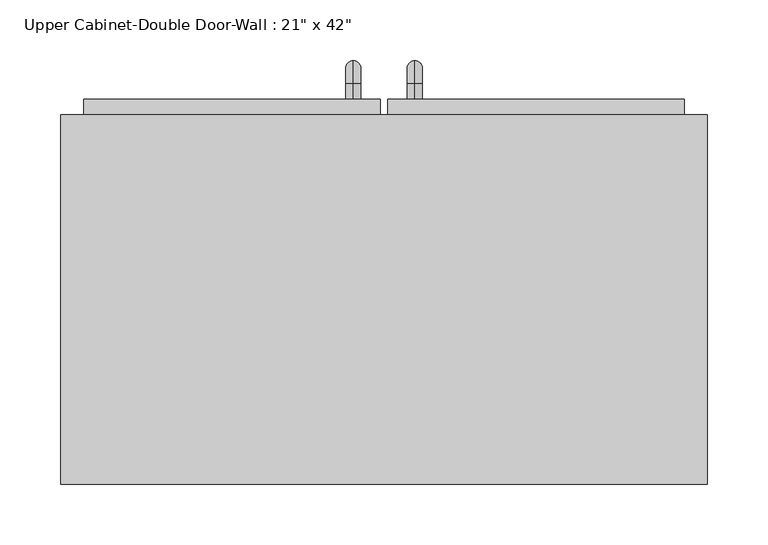
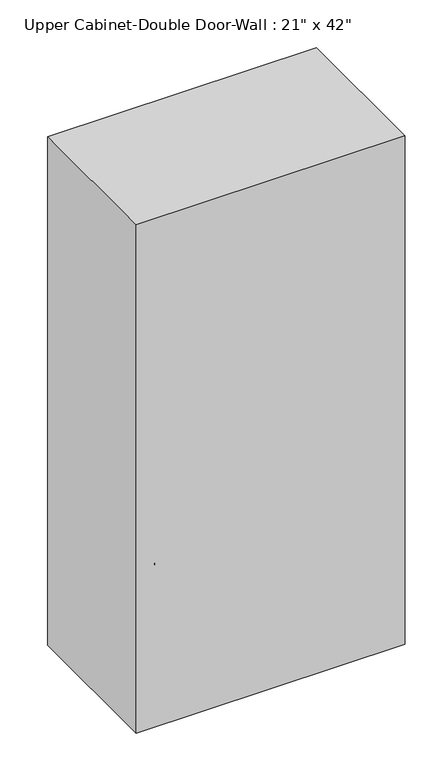
"""IFC4 building model written with IfcOpenShell, lengths in millimetres: furniture geometry."""

from ifc_helpers import new_model, si_unit, point, frame, origin, place, context, project, spatial, polyline, circle_curve, ellipse_curve, trimmed, outline, extrude, faceted_brep, source, transform, mapped, element, save
from ifc_brep_helpers import plane_surface, cylinder_surface, revolved_surface, advanced_brep


def furniture_92fea935(model_context):
    return source(origin(), model_context, "Body", "SolidModel", [
        faceted_brep([(-236.9288372, 123.825, 2133.6), (-236.9288372, 123.825, 1066.8), (296.4711628, 123.825, 1066.8), (296.4711628, 123.825, 2133.6), (-236.9288372, 428.625, 2133.6), (296.4711628, 428.625, 2133.6), (296.4711628, 428.625, 1066.8), (-236.9288372, 428.625, 1066.8), (-217.8788372, 428.625, 2114.55), (-217.8788372, 428.625, 1085.85), (277.4211628, 428.625, 1085.85), (277.4211628, 428.625, 2114.55), (277.4211628, 142.875, 2114.55), (-217.8788372, 142.875, 2114.55), (277.4211628, 142.875, 1085.85), (-217.8788372, 142.875, 1085.85)], [[[0, 1, 2, 3]], [[4, 5, 6, 7], [8, 9, 10, 11]], [[1, 0, 4, 7]], [[2, 1, 7, 6]], [[3, 2, 6, 5]], [[0, 3, 5, 4]], [[8, 11, 12, 13]], [[11, 10, 14, 12]], [[10, 9, 15, 14]], [[9, 8, 13, 15]], [[13, 12, 14, 15]]]),
        advanced_brep(
        [(55.1711628, 441.325, 1212.85), (55.1711628, 441.325, 1225.55), (55.1711628, 454.025, 1212.85), (55.1711628, 454.025, 1225.55), (55.1711628, 473.075, 1206.5), (55.1711628, 460.375, 1206.5), (55.1711628, 460.375, 1130.3), (55.1711628, 473.075, 1130.3), (55.1711628, 454.025, 1111.25), (55.1711628, 454.025, 1123.95), (55.1711628, 441.325, 1123.95), (55.1711628, 441.325, 1111.25)],
        [
            (0, 1, circle_curve(frame((55.1711628, 441.325, 1219.2), z_axis=(0.0, -1.0, 0.0), x_axis=(0.0, 0.0, -1.0)), 6.35)),
            (1, 0, circle_curve(frame((55.1711628, 441.325, 1219.2), z_axis=(0.0, -1.0, 0.0), x_axis=(0.0, 0.0, -1.0)), 6.35)),
            (0, 2),
            (2, 3, circle_curve(frame((55.1711628, 454.025, 1219.2), z_axis=(0.0, -1.0, 0.0), x_axis=(0.0, 0.0, -1.0)), 6.35)),
            (3, 1),
            (3, 2, circle_curve(frame((55.1711628, 454.025, 1219.2), z_axis=(0.0, -1.0, 0.0), x_axis=(0.0, 0.0, -1.0)), 6.35)),
            (4, 3, circle_curve(frame((55.1711628, 454.025, 1206.5), z_axis=(1.0, 0.0, 0.0), x_axis=(0.0, 0.0, 1.0)), 19.05)),
            (2, 5, circle_curve(frame((55.1711628, 454.025, 1206.5), z_axis=(-1.0, 0.0, 0.0), x_axis=(0.0, 0.0, 1.0)), 6.35)),
            (5, 4, circle_curve(frame((55.1711628, 466.725, 1206.5), z_axis=(0.0, 0.0, 1.0), x_axis=(0.0, -1.0, 0.0)), 6.35)),
            (4, 5, circle_curve(frame((55.1711628, 466.725, 1206.5), z_axis=(0.0, 0.0, 1.0), x_axis=(0.0, -1.0, 0.0)), 6.35)),
            (5, 6),
            (6, 7, circle_curve(frame((55.1711628, 466.725, 1130.3), z_axis=(0.0, 0.0, 1.0), x_axis=(0.0, -1.0, 0.0)), 6.35)),
            (7, 4),
            (7, 6, circle_curve(frame((55.1711628, 466.725, 1130.3), z_axis=(0.0, 0.0, 1.0), x_axis=(0.0, -1.0, 0.0)), 6.35)),
            (8, 7, circle_curve(frame((55.1711628, 454.025, 1130.3), z_axis=(1.0, 0.0, 0.0), x_axis=(0.0, 1.0, 0.0)), 19.05)),
            (6, 9, circle_curve(frame((55.1711628, 454.025, 1130.3), z_axis=(-1.0, 0.0, 0.0), x_axis=(0.0, 1.0, 0.0)), 6.35)),
            (9, 8, circle_curve(frame((55.1711628, 454.025, 1117.6), z_axis=(0.0, 1.0, 0.0), x_axis=(0.0, 0.0, 1.0)), 6.35)),
            (8, 9, circle_curve(frame((55.1711628, 454.025, 1117.6), z_axis=(0.0, 1.0, 0.0), x_axis=(0.0, 0.0, 1.0)), 6.35)),
            (10, 11, circle_curve(frame((55.1711628, 441.325, 1117.6), z_axis=(0.0, -1.0, 0.0), x_axis=(0.0, 0.0, 1.0)), 6.35)),
            (11, 10, circle_curve(frame((55.1711628, 441.325, 1117.6), z_axis=(0.0, -1.0, 0.0), x_axis=(0.0, 0.0, 1.0)), 6.35)),
            (9, 10),
            (11, 8),
        ],
        [
            plane_surface(frame((48.8211628, 441.325, 1219.2), z_axis=(0.0, -1.0, 0.0), x_axis=(0.0, 0.0, 1.0))),
            cylinder_surface(frame((55.1711628, 441.325, 1219.2), z_axis=(0.0, -1.0, 0.0), x_axis=(0.0, 0.0, -1.0)), 6.35),
            revolved_surface(trimmed(ellipse_curve(frame((55.1711628, 454.025, 1219.2), z_axis=(0.0, -1.0, 0.0), x_axis=(0.0, 0.0, -1.0)), 6.35, 6.35), [point((55.1711628, 454.025, 1212.85))], [point((55.1711628, 454.025, 1225.55))], True, "CARTESIAN"), (55.1711628, 454.025, 1206.5), (-1.0, 0.0, 0.0)),
            revolved_surface(trimmed(ellipse_curve(frame((55.1711628, 454.025, 1219.2), z_axis=(0.0, -1.0, 0.0), x_axis=(0.0, 0.0, -1.0)), 6.35, 6.35), [point((55.1711628, 454.025, 1225.55))], [point((55.1711628, 454.025, 1212.85))], True, "CARTESIAN"), (55.1711628, 454.025, 1206.5), (-1.0, 0.0, 0.0)),
            cylinder_surface(frame((55.1711628, 466.725, 1206.5), z_axis=(0.0, 0.0, 1.0), x_axis=(0.0, -1.0, 0.0)), 6.35),
            revolved_surface(trimmed(ellipse_curve(frame((55.1711628, 466.725, 1130.3), z_axis=(0.0, 0.0, 1.0), x_axis=(0.0, -1.0, 0.0)), 6.35, 6.35), [point((55.1711628, 460.375, 1130.3))], [point((55.1711628, 473.075, 1130.3))], True, "CARTESIAN"), (55.1711628, 454.025, 1130.3), (-1.0, 0.0, 0.0)),
            revolved_surface(trimmed(ellipse_curve(frame((55.1711628, 466.725, 1130.3), z_axis=(0.0, 0.0, 1.0), x_axis=(0.0, -1.0, 0.0)), 6.35, 6.35), [point((55.1711628, 473.075, 1130.3))], [point((55.1711628, 460.375, 1130.3))], True, "CARTESIAN"), (55.1711628, 454.025, 1130.3), (-1.0, 0.0, 0.0)),
            plane_surface(frame((48.8211628, 441.325, 1117.6), z_axis=(0.0, -1.0, 0.0), x_axis=(0.0, 0.0, -1.0))),
            cylinder_surface(frame((55.1711628, 454.025, 1117.6), z_axis=(0.0, 1.0, 0.0), x_axis=(0.0, 0.0, 1.0)), 6.35),
        ],
        [
            (0, [[1, 2]]),
            (1, [[-1, 3, 4, 5]]),
            (1, [[-2, -5, 6, -3]]),
            (2, [[7, -4, 8, 9]]),
            (3, [[-8, -6, -7, 10]]),
            (4, [[-9, 11, 12, 13]]),
            (4, [[-10, -13, 14, -11]]),
            (5, [[15, -12, 16, 17]]),
            (6, [[-16, -14, -15, 18]]),
            (7, [[19, 20]]),
            (8, [[-17, 21, -20, 22]]),
            (8, [[-18, -22, -19, -21]]),
        ],
    ),
        advanced_brep(
        [(4.3711628, 441.325, 1212.85), (4.3711628, 441.325, 1225.55), (4.3711628, 454.025, 1212.85), (4.3711628, 454.025, 1225.55), (4.3711628, 473.075, 1206.5), (4.3711628, 460.375, 1206.5), (4.3711628, 460.375, 1130.3), (4.3711628, 473.075, 1130.3), (4.3711628, 454.025, 1111.25), (4.3711628, 454.025, 1123.95), (4.3711628, 441.325, 1123.95), (4.3711628, 441.325, 1111.25)],
        [
            (0, 1, circle_curve(frame((4.3711628, 441.325, 1219.2), z_axis=(0.0, -1.0, 0.0), x_axis=(0.0, 0.0, 1.0)), 6.35)),
            (1, 0, circle_curve(frame((4.3711628, 441.325, 1219.2), z_axis=(0.0, -1.0, 0.0), x_axis=(0.0, 0.0, 1.0)), 6.35)),
            (0, 2),
            (2, 3, circle_curve(frame((4.3711628, 454.025, 1219.2), z_axis=(0.0, -1.0, 0.0), x_axis=(0.0, 0.0, 1.0)), 6.35)),
            (3, 1),
            (3, 2, circle_curve(frame((4.3711628, 454.025, 1219.2), z_axis=(0.0, -1.0, 0.0), x_axis=(0.0, 0.0, 1.0)), 6.35)),
            (4, 3, circle_curve(frame((4.3711628, 454.025, 1206.5), z_axis=(1.0, 0.0, 0.0), x_axis=(0.0, 0.0, 1.0)), 19.05)),
            (2, 5, circle_curve(frame((4.3711628, 454.025, 1206.5), z_axis=(-1.0, 0.0, 0.0), x_axis=(0.0, 0.0, 1.0)), 6.35)),
            (5, 4, circle_curve(frame((4.3711628, 466.725, 1206.5), z_axis=(0.0, 0.0, 1.0), x_axis=(0.0, 1.0, 0.0)), 6.35)),
            (4, 5, circle_curve(frame((4.3711628, 466.725, 1206.5), z_axis=(0.0, 0.0, 1.0), x_axis=(0.0, 1.0, 0.0)), 6.35)),
            (5, 6),
            (6, 7, circle_curve(frame((4.3711628, 466.725, 1130.3), z_axis=(0.0, 0.0, 1.0), x_axis=(0.0, 1.0, 0.0)), 6.35)),
            (7, 4),
            (7, 6, circle_curve(frame((4.3711628, 466.725, 1130.3), z_axis=(0.0, 0.0, 1.0), x_axis=(0.0, 1.0, 0.0)), 6.35)),
            (8, 7, circle_curve(frame((4.3711628, 454.025, 1130.3), z_axis=(1.0, 0.0, 0.0), x_axis=(0.0, 1.0, 0.0)), 19.05)),
            (6, 9, circle_curve(frame((4.3711628, 454.025, 1130.3), z_axis=(-1.0, 0.0, 0.0), x_axis=(0.0, 1.0, 0.0)), 6.35)),
            (9, 8, circle_curve(frame((4.3711628, 454.025, 1117.6), z_axis=(0.0, 1.0, 0.0), x_axis=(0.0, 0.0, -1.0)), 6.35)),
            (8, 9, circle_curve(frame((4.3711628, 454.025, 1117.6), z_axis=(0.0, 1.0, 0.0), x_axis=(0.0, 0.0, -1.0)), 6.35)),
            (10, 11, circle_curve(frame((4.3711628, 441.325, 1117.6), z_axis=(0.0, -1.0, 0.0), x_axis=(0.0, 0.0, -1.0)), 6.35)),
            (11, 10, circle_curve(frame((4.3711628, 441.325, 1117.6), z_axis=(0.0, -1.0, 0.0), x_axis=(0.0, 0.0, -1.0)), 6.35)),
            (9, 10),
            (11, 8),
        ],
        [
            plane_surface(frame((-1.9788372, 441.325, 1219.2), z_axis=(0.0, -1.0, 0.0), x_axis=(0.0, 0.0, 1.0))),
            cylinder_surface(frame((4.3711628, 441.325, 1219.2), z_axis=(0.0, -1.0, 0.0), x_axis=(0.0, 0.0, 1.0)), 6.35),
            revolved_surface(trimmed(ellipse_curve(frame((4.3711628, 454.025, 1219.2), z_axis=(0.0, -1.0, 0.0), x_axis=(0.0, 0.0, 1.0)), 6.35, 6.35), [point((4.3711628, 454.025, 1212.85))], [point((4.3711628, 454.025, 1225.55))], True, "CARTESIAN"), (4.3711628, 454.025, 1206.5), (-1.0, 0.0, 0.0)),
            revolved_surface(trimmed(ellipse_curve(frame((4.3711628, 454.025, 1219.2), z_axis=(0.0, -1.0, 0.0), x_axis=(0.0, 0.0, 1.0)), 6.35, 6.35), [point((4.3711628, 454.025, 1225.55))], [point((4.3711628, 454.025, 1212.85))], True, "CARTESIAN"), (4.3711628, 454.025, 1206.5), (-1.0, 0.0, 0.0)),
            cylinder_surface(frame((4.3711628, 466.725, 1206.5), z_axis=(0.0, 0.0, 1.0), x_axis=(0.0, 1.0, 0.0)), 6.35),
            revolved_surface(trimmed(ellipse_curve(frame((4.3711628, 466.725, 1130.3), z_axis=(0.0, 0.0, 1.0), x_axis=(0.0, 1.0, 0.0)), 6.35, 6.35), [point((4.3711628, 460.375, 1130.3))], [point((4.3711628, 473.075, 1130.3))], True, "CARTESIAN"), (4.3711628, 454.025, 1130.3), (-1.0, 0.0, 0.0)),
            revolved_surface(trimmed(ellipse_curve(frame((4.3711628, 466.725, 1130.3), z_axis=(0.0, 0.0, 1.0), x_axis=(0.0, 1.0, 0.0)), 6.35, 6.35), [point((4.3711628, 473.075, 1130.3))], [point((4.3711628, 460.375, 1130.3))], True, "CARTESIAN"), (4.3711628, 454.025, 1130.3), (-1.0, 0.0, 0.0)),
            plane_surface(frame((-1.9788372, 441.325, 1117.6), z_axis=(0.0, -1.0, 0.0), x_axis=(0.0, 0.0, -1.0))),
            cylinder_surface(frame((4.3711628, 454.025, 1117.6), z_axis=(0.0, 1.0, 0.0), x_axis=(0.0, 0.0, -1.0)), 6.35),
        ],
        [
            (0, [[1, 2]]),
            (1, [[-1, 3, 4, 5]]),
            (1, [[-2, -5, 6, -3]]),
            (2, [[7, -4, 8, 9]]),
            (3, [[-8, -6, -7, 10]]),
            (4, [[-9, 11, 12, 13]]),
            (4, [[-10, -13, 14, -11]]),
            (5, [[15, -12, 16, 17]]),
            (6, [[-16, -14, -15, 18]]),
            (7, [[19, 20]]),
            (8, [[-17, 21, -20, 22]]),
            (8, [[-18, -22, -19, -21]]),
        ],
    ),
        extrude(outline(polyline([(32.9461628, 441.325), (277.4211628, 441.325), (277.4211628, 409.575), (32.9461628, 409.575), (32.9461628, 441.325)])), frame((0.0, 0.0, 1085.85), z_axis=(0.0, 0.0, 1.0), x_axis=(1.0, 0.0, 0.0)), (0.0, 0.0, 1.0), 1028.7),
        extrude(outline(polyline([(-217.8788372, 441.325), (26.5961628, 441.325), (26.5961628, 409.575), (-217.8788372, 409.575), (-217.8788372, 441.325)])), frame((0.0, 0.0, 1085.85), z_axis=(0.0, 0.0, 1.0), x_axis=(1.0, 0.0, 0.0)), (0.0, 0.0, 1.0), 1028.7),
    ])


if __name__ == "__main__":
    model = new_model("IFC4")
    model_context = context("Model", 3, world=origin())
    ifc_project = project(units=[si_unit("LENGTHUNIT", "METRE", prefix="MILLI")], contexts=[model_context])
    site = spatial("IfcSite", under=ifc_project)
    building = spatial("IfcBuilding", under=site)
    placement = place(None, origin())
    furniture_shape = furniture_92fea935(model_context)
    element("IfcFurniture", 1, ObjectType="Upper Cabinet-Double Door-Wall : 21\" x 42\"", at=placement, inside=building, context=model_context, shape_type="MappedRepresentation", body=[
        mapped(furniture_shape, transform((0.0, 0.0, 0.0), x_axis=(1.0, 0.0, 0.0), y_axis=(0.0, 1.0, 0.0), z_axis=(0.0, 0.0, 1.0))),
    ])
    save(model, "model.ifc")
